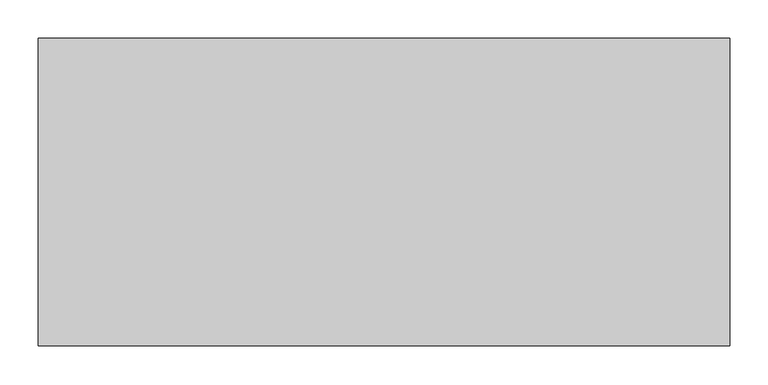
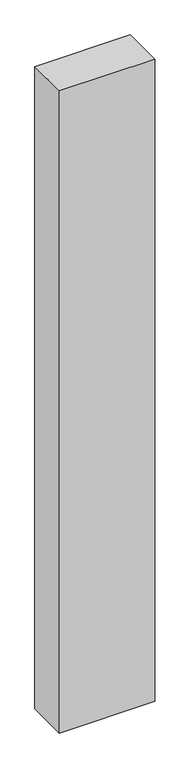
"""IFC4 building model written with IfcOpenShell, lengths in millimetres: proxy geometry."""

from ifc_helpers import new_model, si_unit, origin, origin_with_axes, place, context, project, spatial, polyline, outline, extrude, source, transform, mapped, element, save


def generic_models_0ea6062d(model_context):
    return source(origin(), model_context, "Body", "SweptSolid", [
        extrude(outline(polyline([(900.0, -400.0), (0.0, -400.0), (0.0, 0.0), (900.0, 0.0), (900.0, -400.0)])), origin_with_axes(), (0.0, 0.0, 1.0), 6400.0),
    ])


if __name__ == "__main__":
    model = new_model("IFC4")
    model_context = context("Model", 3, world=origin())
    ifc_project = project(units=[si_unit("LENGTHUNIT", "METRE", prefix="MILLI")], contexts=[model_context])
    site = spatial("IfcSite", under=ifc_project)
    building = spatial("IfcBuilding", under=site)
    placement = place(None, origin())
    generic_models_shape = generic_models_0ea6062d(model_context)
    element("IfcBuildingElementProxy", 1, Name="Generic Models", at=placement, inside=building, context=model_context, shape_type="MappedRepresentation", body=[
        mapped(generic_models_shape, transform((0.0, 0.0, 0.0), x_axis=(1.0, 0.0, 0.0), y_axis=(0.0, 1.0, 0.0), z_axis=(0.0, 0.0, 1.0))),
    ])
    save(model, "model.ifc")
